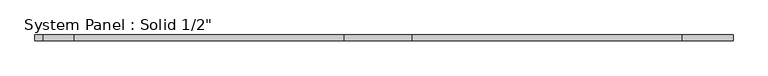
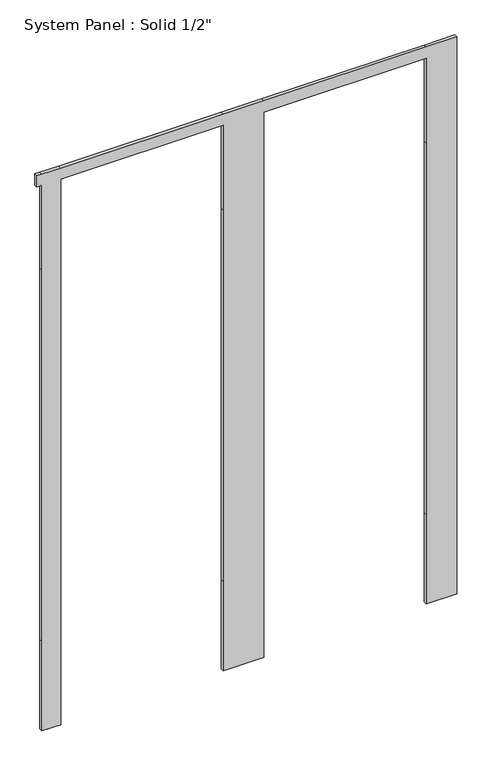
"""IFC4 building model written with IfcOpenShell, lengths in millimetres: plate geometry."""

from ifc_helpers import new_model, si_unit, frame, origin, place, context, project, spatial, polyline, outline, extrude, source, transform, mapped, element, save


def plate_34177635(model_context):
    return source(origin(), model_context, "Body", "SweptSolid", [
        extrude(outline(polyline([(0.0, -768.6406609), (0.0, -698.7906609), (355.6, -698.7906609), (1828.8, -698.7906609), (2165.35, -698.7906609), (2165.35, -89.1906609), (1828.8, -89.1906609), (355.6, -89.1906609), (0.0, -89.1906609), (0.0, 63.2093391), (355.6, 63.2093391), (1828.8, 63.2093391), (2165.35, 63.2093391), (2165.35, 672.8093391), (1828.8, 672.8093391), (355.6, 672.8093391), (0.0, 672.8093391), (0.0, 787.6906609), (355.6, 787.6906609), (1828.8, 787.6906609), (2165.35, 787.6906609), (2209.8, 787.6906609), (2209.8, 672.8093391), (2209.8, 63.2093391), (2209.8, -89.1906609), (2209.8, -698.7906609), (2209.8, -768.6406609), (2209.8, -787.6906609), (2165.35, -787.6906609), (2165.35, -768.6406609), (1828.8, -768.6406609), (355.6, -768.6406609), (0.0, -768.6406609)])), frame((0.0, -6.35, 0.0), z_axis=(0.0, 1.0, 0.0), x_axis=(0.0, 0.0, 1.0)), (0.0, 0.0, 1.0), 12.7),
    ])


if __name__ == "__main__":
    model = new_model("IFC4")
    model_context = context("Model", 3, world=origin())
    ifc_project = project(units=[si_unit("LENGTHUNIT", "METRE", prefix="MILLI")], contexts=[model_context])
    site = spatial("IfcSite", under=ifc_project)
    building = spatial("IfcBuilding", under=site)
    placement = place(None, origin())
    plate_shape = plate_34177635(model_context)
    element("IfcPlate", 1, ObjectType="System Panel : Solid 1/2\"", at=placement, inside=building, context=model_context, shape_type="MappedRepresentation", body=[
        mapped(plate_shape, transform((0.0, 0.0, 0.0), x_axis=(1.0, 0.0, 0.0), y_axis=(0.0, 1.0, 0.0), z_axis=(0.0, 0.0, 1.0))),
    ])
    save(model, "model.ifc")
